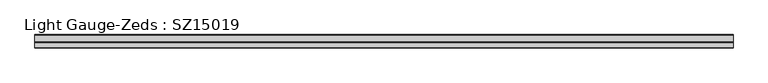
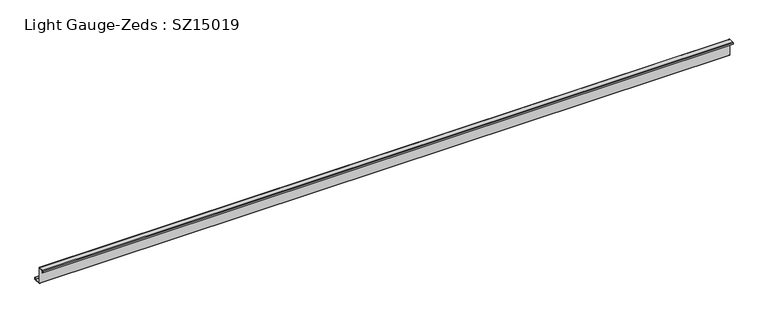
"""IFC4 building model written with IfcOpenShell, lengths in millimetres: beam geometry, Light Gauge-Zeds : SZ15019."""

from ifc_helpers import new_model, si_unit, point, frame, frame_2d, origin, place, context, project, spatial, polyline, circle_curve, trimmed, segment, composite_curve, outline, extrude, source, transform, mapped, element, save


def light_gauge_zeds_sz15019_11e53799(model_context):
    return source(origin(), model_context, "Body", "SweptSolid", [
        extrude(outline(composite_curve([segment(polyline([(0.0, -72.1), (0.0, 72.1)]), True, "CONTINUOUS"), segment(trimmed(circle_curve(frame_2d((-2.0, 72.1)), 2.0), [point((0.0, 72.1))], [point((-2.0, 74.1))], True, "CARTESIAN"), True, "CONTINUOUS"), segment(polyline([(-2.0, 74.1), (-46.6, 74.1)]), True, "CONTINUOUS"), segment(trimmed(circle_curve(frame_2d((-46.6, 72.1)), 2.0), [point((-46.6, 74.1))], [point((-48.6, 72.1))], True, "CARTESIAN"), True, "CONTINUOUS"), segment(polyline([(-48.6, 72.1), (-48.6, 58.0), (-50.5, 58.0), (-50.5, 72.1)]), True, "CONTINUOUS"), segment(trimmed(circle_curve(frame_2d((-46.6, 72.1)), 3.9), [point((-50.5, 72.1))], [point((-46.6, 76.0))], False, "CARTESIAN"), True, "CONTINUOUS"), segment(polyline([(-46.6, 76.0), (-2.0, 76.0)]), True, "CONTINUOUS"), segment(trimmed(circle_curve(frame_2d((-2.0, 72.1)), 3.9), [point((-2.0, 76.0))], [point((1.9, 72.1))], False, "CARTESIAN"), True, "CONTINUOUS"), segment(polyline([(1.9, 72.1), (1.9, -72.1)]), True, "CONTINUOUS"), segment(trimmed(circle_curve(frame_2d((3.9, -72.1)), 2.0), [point((1.9, -72.1))], [point((3.9, -74.1))], True, "CARTESIAN"), True, "CONTINUOUS"), segment(polyline([(3.9, -74.1), (63.6, -74.1)]), True, "CONTINUOUS"), segment(trimmed(circle_curve(frame_2d((63.6, -72.1)), 2.0), [point((63.6, -74.1))], [point((65.6, -72.1))], True, "CARTESIAN"), True, "CONTINUOUS"), segment(polyline([(65.6, -72.1), (65.6, -57.0), (67.5, -57.0), (67.5, -72.1)]), True, "CONTINUOUS"), segment(trimmed(circle_curve(frame_2d((63.6, -72.1)), 3.9), [point((67.5, -72.1))], [point((63.6, -76.0))], False, "CARTESIAN"), True, "CONTINUOUS"), segment(polyline([(63.6, -76.0), (3.9, -76.0)]), True, "CONTINUOUS"), segment(trimmed(circle_curve(frame_2d((3.9, -72.1)), 3.9), [point((3.9, -76.0))], [point((0.0, -72.1))], False, "CARTESIAN"), True, "CONTINUOUS")], self_intersect=False)), frame((-3245.5, 0.0, 0.0), z_axis=(1.0, 0.0, 0.0), x_axis=(0.0, 1.0, 0.0)), (0.0, 0.0, 1.0), 6118.2),
    ])


if __name__ == "__main__":
    model = new_model("IFC4")
    model_context = context("Model", 3, world=origin())
    ifc_project = project(units=[si_unit("LENGTHUNIT", "METRE", prefix="MILLI")], contexts=[model_context])
    site = spatial("IfcSite", under=ifc_project)
    building = spatial("IfcBuilding", under=site)
    placement = place(None, origin())
    light_gauge_zeds_sz15019_shape = light_gauge_zeds_sz15019_11e53799(model_context)
    element("IfcBeam", 1, ObjectType="Light Gauge-Zeds : SZ15019", at=placement, inside=building, context=model_context, shape_type="MappedRepresentation", body=[
        mapped(light_gauge_zeds_sz15019_shape, transform((0.0, 0.0, 0.0), x_axis=(1.0, 0.0, 0.0), y_axis=(0.0, 1.0, 0.0), z_axis=(0.0, 0.0, 1.0))),
    ])
    save(model, "model.ifc")
